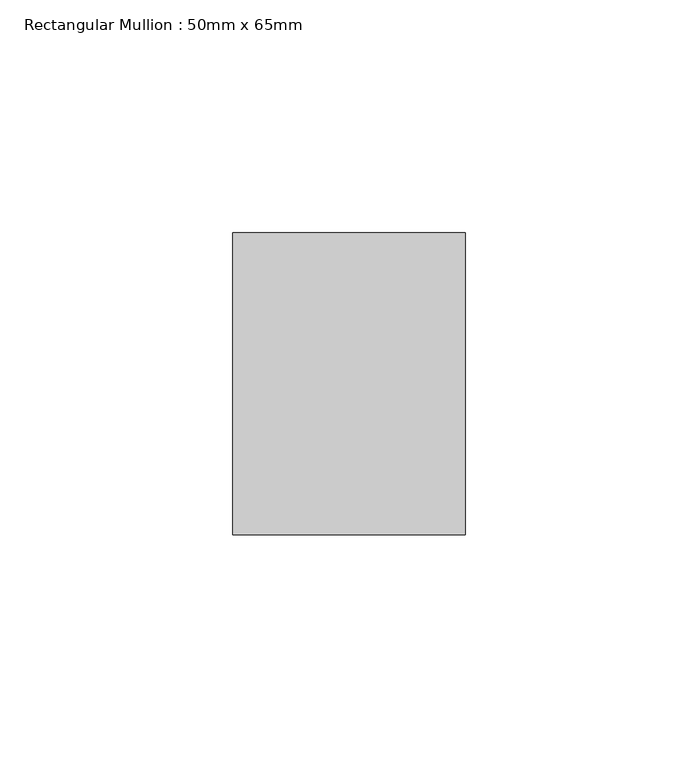
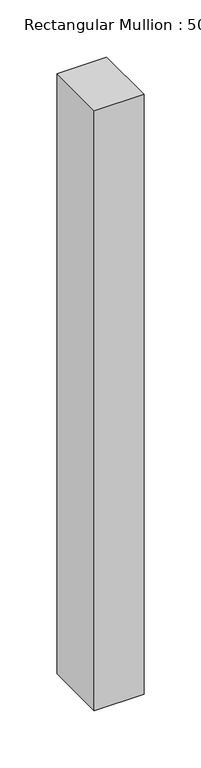
"""IFC4 building model written with IfcOpenShell, lengths in millimetres: member geometry, Rectangular Mullion : 50mm x 65mm."""

from ifc_helpers import new_model, si_unit, frame, origin, place, context, project, spatial, polyline, outline, extrude, source, transform, mapped, element, save


def rectangular_mullion_50mm_x_65mm_8c032be6(model_context):
    return source(origin(), model_context, "Body", "SweptSolid", [
        extrude(outline(polyline([(25.0, 32.5), (25.0, -32.5), (-25.0, -32.5), (-25.0, 32.5), (25.0, 32.5)])), frame((0.0, 0.0, -639.7126027), z_axis=(0.0, 0.0, 1.0), x_axis=(1.0, 0.0, 0.0)), (0.0, 0.0, 1.0), 639.7126027),
    ])


if __name__ == "__main__":
    model = new_model("IFC4")
    model_context = context("Model", 3, world=origin())
    ifc_project = project(units=[si_unit("LENGTHUNIT", "METRE", prefix="MILLI")], contexts=[model_context])
    site = spatial("IfcSite", under=ifc_project)
    building = spatial("IfcBuilding", under=site)
    placement = place(None, origin())
    rectangular_mullion_50mm_x_65mm_shape = rectangular_mullion_50mm_x_65mm_8c032be6(model_context)
    element("IfcMember", 1, ObjectType="Rectangular Mullion : 50mm x 65mm", at=placement, inside=building, context=model_context, shape_type="MappedRepresentation", body=[
        mapped(rectangular_mullion_50mm_x_65mm_shape, transform((0.0, 0.0, 0.0), x_axis=(1.0, 0.0, 0.0), y_axis=(0.0, 1.0, 0.0), z_axis=(0.0, 0.0, 1.0))),
    ])
    save(model, "model.ifc")
